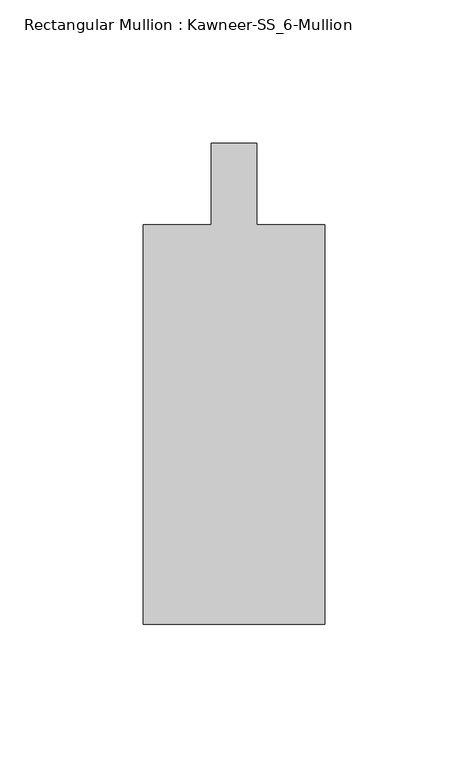
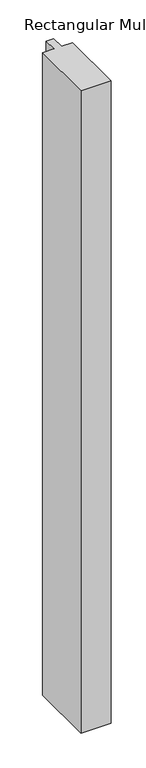
"""IFC4 building model written with IfcOpenShell, lengths in millimetres: member geometry, Rectangular Mullion : Kawneer-SS_6-Mullion."""

from ifc_helpers import new_model, si_unit, frame, origin, place, context, project, spatial, polyline, outline, extrude, source, transform, mapped, element, save


def rectangular_mullion_kawneer_ss_6_mullion_59dfda53(model_context):
    return source(origin(), model_context, "Body", "SweptSolid", [
        extrude(outline(polyline([(-31.75, -153.9875), (-31.75, -14.2875), (-7.9375, -14.2875), (-7.9375, 14.2875), (7.9375, 14.2875), (7.9375, -14.2875), (31.75, -14.2875), (31.75, -153.9875), (-31.75, -153.9875)])), frame((0.0, 0.0, -1428.75), z_axis=(0.0, 0.0, 1.0), x_axis=(1.0, 0.0, 0.0)), (0.0, 0.0, 1.0), 1428.75),
    ])


if __name__ == "__main__":
    model = new_model("IFC4")
    model_context = context("Model", 3, world=origin())
    ifc_project = project(units=[si_unit("LENGTHUNIT", "METRE", prefix="MILLI")], contexts=[model_context])
    site = spatial("IfcSite", under=ifc_project)
    building = spatial("IfcBuilding", under=site)
    placement = place(None, origin())
    rectangular_mullion_kawneer_ss_6_mullion_shape = rectangular_mullion_kawneer_ss_6_mullion_59dfda53(model_context)
    element("IfcMember", 1, ObjectType="Rectangular Mullion : Kawneer-SS_6-Mullion", at=placement, inside=building, context=model_context, shape_type="MappedRepresentation", body=[
        mapped(rectangular_mullion_kawneer_ss_6_mullion_shape, transform((0.0, 0.0, 0.0), x_axis=(1.0, 0.0, 0.0), y_axis=(0.0, 1.0, 0.0), z_axis=(0.0, 0.0, 1.0))),
    ])
    save(model, "model.ifc")
